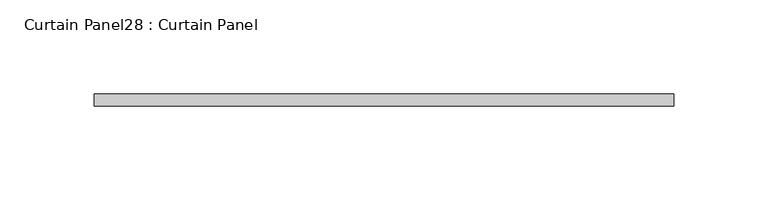
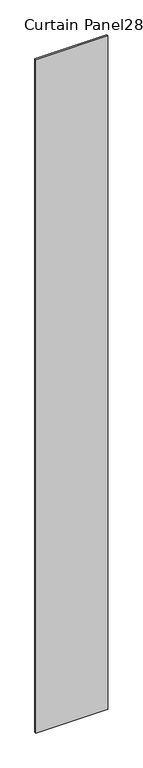
"""IFC4 building model written with IfcOpenShell, lengths in millimetres: plate geometry, Curtain Panel28 : Curtain Panel."""

from ifc_helpers import new_model, si_unit, origin, origin_with_axes, place, context, project, spatial, polyline, outline, extrude, source, transform, mapped, element, save


def curtain_panel28_curtain_panel_e486f38a(model_context):
    return source(origin(), model_context, "Body", "SweptSolid", [
        extrude(outline(polyline([(316549.8988227, 2207.3296003), (316857.9628412, 2207.3296003), (316857.9628412, 2200.9796003), (316549.8988227, 2200.9796003), (316549.8988227, 2207.3296003)])), origin_with_axes(), (0.0, 0.0, 1.0), 3048.0),
    ])


if __name__ == "__main__":
    model = new_model("IFC4")
    model_context = context("Model", 3, world=origin())
    ifc_project = project(units=[si_unit("LENGTHUNIT", "METRE", prefix="MILLI")], contexts=[model_context])
    site = spatial("IfcSite", under=ifc_project)
    building = spatial("IfcBuilding", under=site)
    placement = place(None, origin())
    curtain_panel28_curtain_panel_shape = curtain_panel28_curtain_panel_e486f38a(model_context)
    element("IfcPlate", 1, ObjectType="Curtain Panel28 : Curtain Panel", at=placement, inside=building, context=model_context, shape_type="MappedRepresentation", body=[
        mapped(curtain_panel28_curtain_panel_shape, transform((0.0, 0.0, 0.0), x_axis=(1.0, 0.0, 0.0), y_axis=(0.0, 1.0, 0.0), z_axis=(0.0, 0.0, 1.0))),
    ])
    save(model, "model.ifc")
